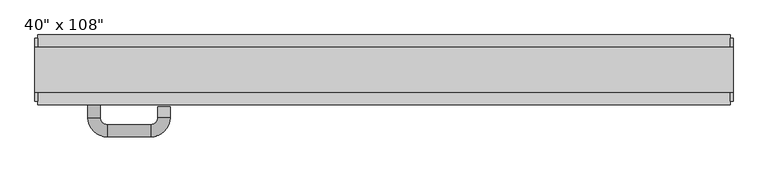
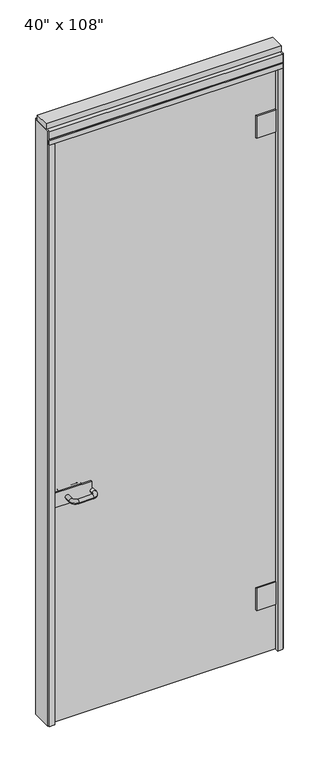
"""IFC4 building model written with IfcOpenShell, lengths in millimetres: furniture geometry."""

from ifc_helpers import new_model, si_unit, point, frame, origin, origin_with_axes, place, context, project, spatial, polyline, circle_curve, ellipse_curve, trimmed, outline, extrude, source, transform, mapped, element, save
from ifc_brep_helpers import plane_surface, cylinder_surface, revolved_surface, advanced_brep


def furniture_f348c2c2(model_context):
    return source(origin(), model_context, "Body", "SolidModel", [
        extrude(outline(polyline([(421.8014771, -38.1727216), (-541.8745229, -38.1727216), (-541.8745229, -28.0127216), (421.8014771, -28.0127216), (421.8014771, -38.1727216)])), origin_with_axes(), (0.0, 0.0, 1.0), 2654.3),
        extrude(outline(polyline([(-375.7585229, -21.0277216), (-375.7585229, -28.0127216), (-540.8585229, -28.0127216), (-540.8585229, -21.0277216), (-375.7585229, -21.0277216)])), frame((0.0, 0.0, 982.98), z_axis=(0.0, 0.0, 1.0), x_axis=(1.0, 0.0, 0.0)), (0.0, 0.0, 1.0), 66.04),
        advanced_brep(
        [(-490.8205229, -21.0277216, 1016.0), (-473.0405229, -21.0277216, 1016.0), (-473.0405229, 7.5472784, 1016.0), (-490.8205229, 7.5472784, 1016.0), (-462.8805229, 17.7072784, 1016.0), (-462.8805229, 35.4872784, 1016.0), (-371.4405229, -8.3277216, 1016.0), (-389.2205229, -8.3277216, 1016.0), (-399.3805229, 17.7072784, 1016.0), (-399.3805229, 35.4872784, 1016.0), (-389.2205229, 7.5472784, 1016.0), (-371.4405229, 7.5472784, 1016.0)],
        [
            (0, 1, circle_curve(frame((-481.9305229, -21.0277216, 1016.0), z_axis=(0.0, -1.0, 0.0), x_axis=(1.0, 0.0, 0.0)), 8.89)),
            (1, 0, circle_curve(frame((-481.9305229, -21.0277216, 1016.0), z_axis=(0.0, -1.0, 0.0), x_axis=(1.0, 0.0, 0.0)), 8.89)),
            (1, 2),
            (2, 3, circle_curve(frame((-481.9305229, 7.5472784, 1016.0), z_axis=(0.0, -1.0, 0.0), x_axis=(1.0, 0.0, 0.0)), 8.89)),
            (3, 0),
            (3, 2, circle_curve(frame((-481.9305229, 7.5472784, 1016.0), z_axis=(0.0, -1.0, 0.0), x_axis=(1.0, 0.0, 0.0)), 8.89)),
            (4, 5, circle_curve(frame((-462.8805229, 26.5972784, 1016.0), z_axis=(-1.0, 0.0, 0.0), x_axis=(0.0, -1.0, 0.0)), 8.89)),
            (5, 3, circle_curve(frame((-462.8805229, 7.5472784, 1016.0), z_axis=(0.0, 0.0, 1.0), x_axis=(-1.0, 0.0, 0.0)), 27.94)),
            (2, 4, circle_curve(frame((-462.8805229, 7.5472784, 1016.0), z_axis=(0.0, 0.0, -1.0), x_axis=(-1.0, 0.0, 0.0)), 10.16)),
            (5, 4, circle_curve(frame((-462.8805229, 26.5972784, 1016.0), z_axis=(-1.0, 0.0, 0.0), x_axis=(0.0, -1.0, 0.0)), 8.89)),
            (6, 7, circle_curve(frame((-380.3305229, -8.3277216, 1016.0), z_axis=(0.0, -1.0, 0.0), x_axis=(-1.0, 0.0, 0.0)), 8.89)),
            (7, 6, circle_curve(frame((-380.3305229, -8.3277216, 1016.0), z_axis=(0.0, -1.0, 0.0), x_axis=(-1.0, 0.0, 0.0)), 8.89)),
            (4, 8),
            (8, 9, circle_curve(frame((-399.3805229, 26.5972784, 1016.0), z_axis=(-1.0, 0.0, 0.0), x_axis=(0.0, -1.0, 0.0)), 8.89)),
            (9, 5),
            (9, 8, circle_curve(frame((-399.3805229, 26.5972784, 1016.0), z_axis=(-1.0, 0.0, 0.0), x_axis=(0.0, -1.0, 0.0)), 8.89)),
            (10, 11, circle_curve(frame((-380.3305229, 7.5472784, 1016.0), z_axis=(0.0, 1.0, 0.0), x_axis=(-1.0, 0.0, 0.0)), 8.89)),
            (11, 9, circle_curve(frame((-399.3805229, 7.5472784, 1016.0), z_axis=(0.0, 0.0, 1.0), x_axis=(0.0, 1.0, 0.0)), 27.94)),
            (8, 10, circle_curve(frame((-399.3805229, 7.5472784, 1016.0), z_axis=(0.0, 0.0, -1.0), x_axis=(0.0, 1.0, 0.0)), 10.16)),
            (11, 10, circle_curve(frame((-380.3305229, 7.5472784, 1016.0), z_axis=(0.0, 1.0, 0.0), x_axis=(-1.0, 0.0, 0.0)), 8.89)),
            (10, 7),
            (6, 11),
        ],
        [
            plane_surface(frame((-481.9305229, -21.0277216, 1016.0), z_axis=(0.0, -1.0, 0.0), x_axis=(0.0, 0.0, 1.0))),
            cylinder_surface(frame((-481.9305229, -21.0277216, 1016.0), z_axis=(0.0, -1.0, 0.0), x_axis=(1.0, 0.0, 0.0)), 8.89),
            revolved_surface(trimmed(ellipse_curve(frame((-481.9305229, 7.5472784, 1016.0), z_axis=(0.0, 1.0, 0.0), x_axis=(1.0, 0.0, 0.0)), 8.89, 8.89), [point((-490.8205229, 7.5472784, 1016.0))], [point((-473.0405229, 7.5472784, 1016.0))], True, "CARTESIAN"), (-462.8805229, 7.5472784, 1016.0), (0.0, 0.0, 1.0)),
            revolved_surface(trimmed(ellipse_curve(frame((-481.9305229, 7.5472784, 1016.0), z_axis=(0.0, 1.0, 0.0), x_axis=(1.0, 0.0, 0.0)), 8.89, 8.89), [point((-473.0405229, 7.5472784, 1016.0))], [point((-490.8205229, 7.5472784, 1016.0))], True, "CARTESIAN"), (-462.8805229, 7.5472784, 1016.0), (0.0, 0.0, 1.0)),
            plane_surface(frame((-380.3305229, -8.3277216, 1016.0), z_axis=(0.0, -1.0, 0.0), x_axis=(0.0, 0.0, 1.0))),
            cylinder_surface(frame((-462.8805229, 26.5972784, 1016.0), z_axis=(-1.0, 0.0, 0.0), x_axis=(0.0, -1.0, 0.0)), 8.89),
            revolved_surface(trimmed(ellipse_curve(frame((-399.3805229, 26.5972784, 1016.0), z_axis=(1.0, 0.0, 0.0), x_axis=(0.0, -1.0, 0.0)), 8.89, 8.89), [point((-399.3805229, 35.4872784, 1016.0))], [point((-399.3805229, 17.7072784, 1016.0))], True, "CARTESIAN"), (-399.3805229, 7.5472784, 1016.0), (0.0, 0.0, 1.0)),
            revolved_surface(trimmed(ellipse_curve(frame((-399.3805229, 26.5972784, 1016.0), z_axis=(1.0, 0.0, 0.0), x_axis=(0.0, -1.0, 0.0)), 8.89, 8.89), [point((-399.3805229, 17.7072784, 1016.0))], [point((-399.3805229, 35.4872784, 1016.0))], True, "CARTESIAN"), (-399.3805229, 7.5472784, 1016.0), (0.0, 0.0, 1.0)),
            cylinder_surface(frame((-380.3305229, 7.5472784, 1016.0), z_axis=(0.0, 1.0, 0.0), x_axis=(-1.0, 0.0, 0.0)), 8.89),
        ],
        [
            (0, [[1, 2]]),
            (1, [[3, 4, 5, -2]]),
            (1, [[-5, 6, -3, -1]]),
            (2, [[7, 8, -4, 9]]),
            (3, [[10, -9, -6, -8]]),
            (4, [[11, 12]]),
            (5, [[13, 14, 15, -7]]),
            (5, [[-15, 16, -13, -10]]),
            (6, [[17, 18, -14, 19]]),
            (7, [[20, -19, -16, -18]]),
            (8, [[21, -11, 22, -17]]),
            (8, [[-22, -12, -21, -20]]),
        ],
    ),
        extrude(outline(polyline([(-375.7585229, -45.1577216), (-540.8585229, -45.1577216), (-540.8585229, -38.1727216), (-375.7585229, -38.1727216), (-375.7585229, -45.1577216)])), frame((0.0, 0.0, 982.98), z_axis=(0.0, 0.0, 1.0), x_axis=(1.0, 0.0, 0.0)), (0.0, 0.0, 1.0), 66.04),
        advanced_brep(
        [(-490.8205229, -45.1577216, 1016.0), (-473.0405229, -45.1577216, 1016.0), (-490.8205229, -73.7327216, 1016.0), (-473.0405229, -73.7327216, 1016.0), (-462.8805229, -83.8927216, 1016.0), (-462.8805229, -101.6727216, 1016.0), (-371.4405229, -57.8577216, 1016.0), (-389.2205229, -57.8577216, 1016.0), (-399.3805229, -101.6727216, 1016.0), (-399.3805229, -83.8927216, 1016.0), (-389.2205229, -73.7327216, 1016.0), (-371.4405229, -73.7327216, 1016.0)],
        [
            (0, 1, circle_curve(frame((-481.9305229, -45.1577216, 1016.0), z_axis=(0.0, 1.0, 0.0), x_axis=(1.0, 0.0, 0.0)), 8.89)),
            (1, 0, circle_curve(frame((-481.9305229, -45.1577216, 1016.0), z_axis=(0.0, 1.0, 0.0), x_axis=(1.0, 0.0, 0.0)), 8.89)),
            (0, 2),
            (2, 3, circle_curve(frame((-481.9305229, -73.7327216, 1016.0), z_axis=(0.0, 1.0, 0.0), x_axis=(1.0, 0.0, 0.0)), 8.89)),
            (3, 1),
            (3, 2, circle_curve(frame((-481.9305229, -73.7327216, 1016.0), z_axis=(0.0, 1.0, 0.0), x_axis=(1.0, 0.0, 0.0)), 8.89)),
            (4, 3, circle_curve(frame((-462.8805229, -73.7327216, 1016.0), z_axis=(0.0, 0.0, -1.0), x_axis=(-1.0, 0.0, 0.0)), 10.16)),
            (2, 5, circle_curve(frame((-462.8805229, -73.7327216, 1016.0), z_axis=(0.0, 0.0, 1.0), x_axis=(-1.0, 0.0, 0.0)), 27.94)),
            (5, 4, circle_curve(frame((-462.8805229, -92.7827216, 1016.0), z_axis=(-1.0, 0.0, 0.0), x_axis=(0.0, 1.0, 0.0)), 8.89)),
            (4, 5, circle_curve(frame((-462.8805229, -92.7827216, 1016.0), z_axis=(-1.0, 0.0, 0.0), x_axis=(0.0, 1.0, 0.0)), 8.89)),
            (6, 7, circle_curve(frame((-380.3305229, -57.8577216, 1016.0), z_axis=(0.0, 1.0, 0.0), x_axis=(-1.0, 0.0, 0.0)), 8.89)),
            (7, 6, circle_curve(frame((-380.3305229, -57.8577216, 1016.0), z_axis=(0.0, 1.0, 0.0), x_axis=(-1.0, 0.0, 0.0)), 8.89)),
            (5, 8),
            (8, 9, circle_curve(frame((-399.3805229, -92.7827216, 1016.0), z_axis=(-1.0, 0.0, 0.0), x_axis=(0.0, 1.0, 0.0)), 8.89)),
            (9, 4),
            (9, 8, circle_curve(frame((-399.3805229, -92.7827216, 1016.0), z_axis=(-1.0, 0.0, 0.0), x_axis=(0.0, 1.0, 0.0)), 8.89)),
            (10, 9, circle_curve(frame((-399.3805229, -73.7327216, 1016.0), z_axis=(0.0, 0.0, -1.0), x_axis=(0.0, -1.0, 0.0)), 10.16)),
            (8, 11, circle_curve(frame((-399.3805229, -73.7327216, 1016.0), z_axis=(0.0, 0.0, 1.0), x_axis=(0.0, -1.0, 0.0)), 27.94)),
            (11, 10, circle_curve(frame((-380.3305229, -73.7327216, 1016.0), z_axis=(0.0, -1.0, 0.0), x_axis=(-1.0, 0.0, 0.0)), 8.89)),
            (10, 11, circle_curve(frame((-380.3305229, -73.7327216, 1016.0), z_axis=(0.0, -1.0, 0.0), x_axis=(-1.0, 0.0, 0.0)), 8.89)),
            (11, 6),
            (7, 10),
        ],
        [
            plane_surface(frame((-481.9305229, -45.1577216, 1016.0), z_axis=(0.0, 1.0, 0.0), x_axis=(0.0, 0.0, 1.0))),
            cylinder_surface(frame((-481.9305229, -45.1577216, 1016.0), z_axis=(0.0, 1.0, 0.0), x_axis=(1.0, 0.0, 0.0)), 8.89),
            revolved_surface(trimmed(ellipse_curve(frame((-481.9305229, -73.7327216, 1016.0), z_axis=(0.0, 1.0, 0.0), x_axis=(1.0, 0.0, 0.0)), 8.89, 8.89), [point((-490.8205229, -73.7327216, 1016.0))], [point((-473.0405229, -73.7327216, 1016.0))], True, "CARTESIAN"), (-462.8805229, -73.7327216, 1016.0), (0.0, 0.0, 1.0)),
            revolved_surface(trimmed(ellipse_curve(frame((-481.9305229, -73.7327216, 1016.0), z_axis=(0.0, 1.0, 0.0), x_axis=(1.0, 0.0, 0.0)), 8.89, 8.89), [point((-473.0405229, -73.7327216, 1016.0))], [point((-490.8205229, -73.7327216, 1016.0))], True, "CARTESIAN"), (-462.8805229, -73.7327216, 1016.0), (0.0, 0.0, 1.0)),
            plane_surface(frame((-380.3305229, -57.8577216, 1016.0), z_axis=(0.0, 1.0, 0.0), x_axis=(0.0, 0.0, 1.0))),
            cylinder_surface(frame((-462.8805229, -92.7827216, 1016.0), z_axis=(-1.0, 0.0, 0.0), x_axis=(0.0, 1.0, 0.0)), 8.89),
            revolved_surface(trimmed(ellipse_curve(frame((-399.3805229, -92.7827216, 1016.0), z_axis=(-1.0, 0.0, 0.0), x_axis=(0.0, 1.0, 0.0)), 8.89, 8.89), [point((-399.3805229, -101.6727216, 1016.0))], [point((-399.3805229, -83.8927216, 1016.0))], True, "CARTESIAN"), (-399.3805229, -73.7327216, 1016.0), (0.0, 0.0, 1.0)),
            revolved_surface(trimmed(ellipse_curve(frame((-399.3805229, -92.7827216, 1016.0), z_axis=(-1.0, 0.0, 0.0), x_axis=(0.0, 1.0, 0.0)), 8.89, 8.89), [point((-399.3805229, -83.8927216, 1016.0))], [point((-399.3805229, -101.6727216, 1016.0))], True, "CARTESIAN"), (-399.3805229, -73.7327216, 1016.0), (0.0, 0.0, 1.0)),
            cylinder_surface(frame((-380.3305229, -73.7327216, 1016.0), z_axis=(0.0, -1.0, 0.0), x_axis=(-1.0, 0.0, 0.0)), 8.89),
        ],
        [
            (0, [[1, 2]]),
            (1, [[-1, 3, 4, 5]]),
            (1, [[-2, -5, 6, -3]]),
            (2, [[7, -4, 8, 9]]),
            (3, [[-8, -6, -7, 10]]),
            (4, [[11, 12]]),
            (5, [[-9, 13, 14, 15]]),
            (5, [[-10, -15, 16, -13]]),
            (6, [[17, -14, 18, 19]]),
            (7, [[-18, -16, -17, 20]]),
            (8, [[-19, 21, -12, 22]]),
            (8, [[-20, -22, -11, -21]]),
        ],
    ),
        extrude(outline(polyline([(421.8014771, -44.5227216), (336.9654771, -44.5227216), (336.9654771, -38.1727216), (421.8014771, -38.1727216), (421.8014771, -44.5227216)])), frame((0.0, 0.0, 2364.486), z_axis=(0.0, 0.0, 1.0), x_axis=(1.0, 0.0, 0.0)), (0.0, 0.0, 1.0), 101.6),
        extrude(outline(polyline([(421.8014771, -44.5227216), (336.9654771, -44.5227216), (336.9654771, -38.1727216), (421.8014771, -38.1727216), (421.8014771, -44.5227216)])), frame((0.0, 0.0, 207.899), z_axis=(0.0, 0.0, 1.0), x_axis=(1.0, 0.0, 0.0)), (0.0, 0.0, 1.0), 101.6),
        extrude(outline(polyline([(336.9654771, -21.6627216), (421.8014771, -21.6627216), (421.8014771, -28.0127216), (336.9654771, -28.0127216), (336.9654771, -21.6627216)])), frame((0.0, 0.0, 2364.486), z_axis=(0.0, 0.0, 1.0), x_axis=(1.0, 0.0, 0.0)), (0.0, 0.0, 1.0), 101.6),
        extrude(outline(polyline([(336.9654771, -21.6627216), (421.8014771, -21.6627216), (421.8014771, -28.0127216), (336.9654771, -28.0127216), (336.9654771, -21.6627216)])), frame((0.0, 0.0, 207.899), z_axis=(0.0, 0.0, 1.0), x_axis=(1.0, 0.0, 0.0)), (0.0, 0.0, 1.0), 101.6),
        extrude(outline(polyline([(-564.0995229, -55.3177216), (-564.0995229, 46.2822784), (444.0264771, 46.2822784), (444.0264771, -55.3177216), (-564.0995229, -55.3177216)])), frame((0.0, 0.0, 2654.3), z_axis=(0.0, 0.0, 1.0), x_axis=(1.0, 0.0, 0.0)), (0.0, 0.0, 1.0), 22.225),
        extrude(outline(polyline([(447.9634771, -50.3647216), (444.0264771, -50.3647216), (444.0264771, 41.3292784), (447.9634771, 41.3292784), (447.9634771, -50.3647216)])), origin_with_axes(), (0.0, 0.0, 1.0), 2717.8),
        extrude(outline(polyline([(-568.0365229, -50.3647216), (-568.0365229, 41.3292784), (-564.0995229, 41.3292784), (-564.0995229, -50.3647216), (-568.0365229, -50.3647216)])), origin_with_axes(), (0.0, 0.0, 1.0), 2717.8),
        extrude(outline(polyline([(421.8014771, -55.3177216), (421.8014771, 46.2822784), (444.0264771, 46.2822784), (444.0264771, -55.3177216), (421.8014771, -55.3177216)])), origin_with_axes(), (0.0, 0.0, 1.0), 2654.3),
        extrude(outline(polyline([(-541.8745229, -55.3177216), (-564.0995229, -55.3177216), (-564.0995229, 46.2822784), (-541.8745229, 46.2822784), (-541.8745229, -55.3177216)])), origin_with_axes(), (0.0, 0.0, 1.0), 2654.3),
        extrude(outline(polyline([(-55.3177216, 2681.478), (-55.3177216, 2717.8), (46.2822784, 2717.8), (46.2822784, 2681.478), (41.3292784, 2681.478), (41.3292784, 2676.525), (-50.3647216, 2676.525), (-50.3647216, 2681.478), (-55.3177216, 2681.478)])), frame((-564.0995229, 0.0, 0.0), z_axis=(1.0, 0.0, 0.0), x_axis=(0.0, 1.0, 0.0)), (0.0, 0.0, 1.0), 1008.126),
        extrude(outline(polyline([(-568.0365229, -37.0297216), (-568.0365229, 27.9942784), (447.9634771, 27.9942784), (447.9634771, -37.0297216), (-568.0365229, -37.0297216)])), frame((0.0, 0.0, 2717.8), z_axis=(0.0, 0.0, 1.0), x_axis=(1.0, 0.0, 0.0)), (0.0, 0.0, 1.0), 25.4),
    ])


if __name__ == "__main__":
    model = new_model("IFC4")
    model_context = context("Model", 3, world=origin())
    ifc_project = project(units=[si_unit("LENGTHUNIT", "METRE", prefix="MILLI")], contexts=[model_context])
    site = spatial("IfcSite", under=ifc_project)
    building = spatial("IfcBuilding", under=site)
    placement = place(None, origin())
    furniture_shape = furniture_f348c2c2(model_context)
    element("IfcFurniture", 1, ObjectType="40\" x 108\"", at=placement, inside=building, context=model_context, shape_type="MappedRepresentation", body=[
        mapped(furniture_shape, transform((0.0, 0.0, 0.0), x_axis=(1.0, 0.0, 0.0), y_axis=(0.0, 1.0, 0.0), z_axis=(0.0, 0.0, 1.0))),
    ])
    save(model, "model.ifc")
